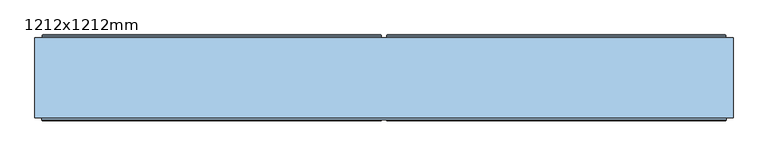
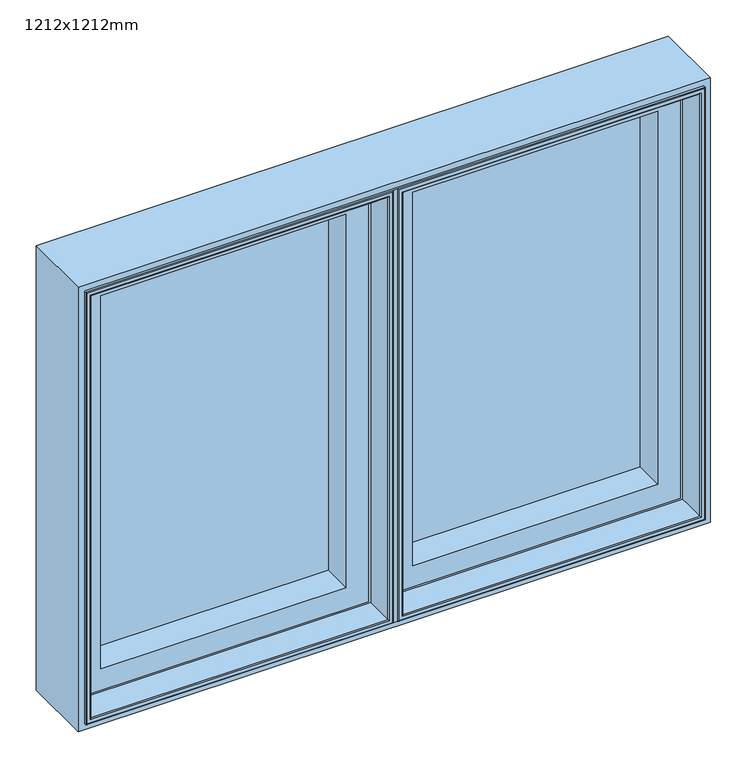
"""IFC4 building model written with IfcOpenShell, lengths in millimetres: window geometry, 1212x1212mm."""

from ifc_helpers import new_model, si_unit, frame, origin, place, context, project, spatial, polyline, ellipse_curve, outline, extrude, faceted_brep, source, transform, mapped, element, save
from ifc_brep_helpers import plane_surface, cylinder_surface, revolved_surface, advanced_brep


def window_1212x1212mm_500ff228(model_context):
    return source(origin(), model_context, "Body", "SolidModel", [
        advanced_brep(
        [(4.0, 146.5000019, 1689.0), (-4.0, 146.5000019, 1689.0), (-4.0, 142.5000017, 1689.0), (-594.0, 142.5000017, 1689.0), (-594.0, 6.5000015, 1689.0), (-4.0, 6.5000015, 1689.0), (-4.0, 6.7000016, 1689.0), (4.0, 6.7000016, 1689.0), (4.0, 6.5000014, 1689.0), (594.0, 6.5000014, 1689.0), (594.0, 142.5000016, 1689.0), (4.0, 142.5000016, 1689.0), (4.0, 6.7000016, 812.0), (-4.0, 6.7000016, 812.0), (-4.0, 6.5000015, 812.0), (-594.0, 6.5000015, 812.0), (-594.0, 142.5000017, 812.0), (-4.0, 142.5000017, 812.0), (-4.0, 146.5000019, 812.0), (4.0, 146.5000019, 812.0), (4.0, 142.5000016, 812.0), (594.0, 142.5000016, 812.0), (594.0, 6.5000014, 812.0), (4.0, 6.5000014, 812.0), (14.0, 6.5000014, 1679.0), (12.5, 5.0000014, 1680.5), (12.5, 5.0000014, 820.5), (14.0, 6.5000014, 822.0), (14.0, 142.5000016, 822.0), (14.0, 142.5000016, 1679.0), (5.5, 5.0000014, 813.5), (5.5, 5.0000014, 1687.5), (585.5, 5.0000014, 820.5), (584.0, 6.5000014, 822.0), (584.0, 142.5000016, 822.0), (592.5, 5.0000014, 813.5), (585.5, 5.0000014, 1680.5), (584.0, 6.5000014, 1679.0), (584.0, 142.5000016, 1679.0), (592.5, 5.0000014, 1687.5), (-584.0, 6.5000015, 1679.0), (-585.5, 5.0000015, 1680.5), (-585.5, 5.0000015, 820.5), (-584.0, 6.5000015, 822.0), (-584.0, 142.5000017, 822.0), (-584.0, 142.5000017, 1679.0), (-592.5, 5.0000015, 813.5), (-592.5, 5.0000015, 1687.5), (-12.5, 5.0000015, 820.5), (-14.0, 6.5000015, 822.0), (-14.0, 142.5000017, 822.0), (-5.5, 5.0000015, 813.5), (-12.5, 5.0000015, 1680.5), (-14.0, 6.5000015, 1679.0), (-14.0, 142.5000017, 1679.0), (-5.5, 5.0000015, 1687.5)],
        [
            (0, 1),
            (1, 2),
            (2, 3),
            (3, 4),
            (4, 5),
            (5, 6),
            (6, 7),
            (7, 8),
            (8, 9),
            (9, 10),
            (10, 11),
            (11, 0),
            (12, 13),
            (13, 14),
            (14, 15),
            (15, 16),
            (16, 17),
            (17, 18),
            (18, 19),
            (19, 20),
            (20, 21),
            (21, 22),
            (22, 23),
            (23, 12),
            (0, 19),
            (18, 1),
            (17, 2),
            (6, 13),
            (12, 7),
            (11, 20),
            (24, 25, ellipse_curve(frame((12.5, 6.5000014, 1680.5), z_axis=(-0.7071067811865475, 0.0, -0.7071067811865475), x_axis=(-0.7071067811865474, 0.0, 0.7071067811865476)), 2.1213203, 1.5)),
            (25, 26),
            (26, 27, ellipse_curve(frame((12.5, 6.5000014, 820.5), z_axis=(-0.7071067811865475, 0.0, 0.7071067811865475), x_axis=(0.7071067811865474, 0.0, 0.7071067811865476)), 2.1213203, 1.5)),
            (27, 24),
            (27, 28),
            (28, 29),
            (29, 24),
            (23, 8),
            (23, 30, ellipse_curve(frame((5.5, 6.5000014, 813.5), z_axis=(-0.7071067811865475, 0.0, 0.7071067811865475), x_axis=(0.7071067811865474, 0.0, 0.7071067811865476)), 2.1213203, 1.5)),
            (30, 31),
            (31, 8, ellipse_curve(frame((5.5, 6.5000014, 1687.5), z_axis=(-0.7071067811865475, 0.0, -0.7071067811865475), x_axis=(-0.7071067811865474, 0.0, 0.7071067811865476)), 2.1213203, 1.5)),
            (26, 32),
            (32, 33, ellipse_curve(frame((585.5, 6.5000014, 820.5), z_axis=(-0.7071067811865475, 0.0, -0.7071067811865475), x_axis=(-0.7071067811865476, 0.0, 0.7071067811865474)), 2.1213203, 1.5)),
            (33, 27),
            (33, 34),
            (34, 28),
            (22, 35, ellipse_curve(frame((592.5, 6.5000014, 813.5), z_axis=(-0.7071067811865475, 0.0, -0.7071067811865475), x_axis=(-0.7071067811865476, 0.0, 0.7071067811865474)), 2.1213203, 1.5)),
            (35, 30),
            (32, 36),
            (36, 37, ellipse_curve(frame((585.5, 6.5000014, 1680.5), z_axis=(0.7071067811865475, 0.0, -0.7071067811865475), x_axis=(-0.7071067811865474, 0.0, -0.7071067811865476)), 2.1213203, 1.5)),
            (37, 33),
            (37, 38),
            (38, 34),
            (21, 10),
            (9, 22),
            (9, 39, ellipse_curve(frame((592.5, 6.5000014, 1687.5), z_axis=(0.7071067811865475, 0.0, -0.7071067811865475), x_axis=(-0.7071067811865474, 0.0, -0.7071067811865476)), 2.1213203, 1.5)),
            (39, 35),
            (24, 37),
            (36, 25),
            (29, 38),
            (31, 39),
            (40, 41, ellipse_curve(frame((-585.5, 6.5000015, 1680.5), z_axis=(-0.7071067811865475, 0.0, -0.7071067811865475), x_axis=(-0.7071067811865474, 0.0, 0.7071067811865476)), 2.1213203, 1.5)),
            (41, 42),
            (42, 43, ellipse_curve(frame((-585.5, 6.5000015, 820.5), z_axis=(-0.7071067811865475, 0.0, 0.7071067811865475), x_axis=(0.7071067811865474, 0.0, 0.7071067811865476)), 2.1213203, 1.5)),
            (43, 40),
            (43, 44),
            (44, 45),
            (45, 40),
            (3, 16),
            (15, 4),
            (15, 46, ellipse_curve(frame((-592.5, 6.5000015, 813.5), z_axis=(-0.7071067811865475, 0.0, 0.7071067811865475), x_axis=(0.7071067811865474, 0.0, 0.7071067811865476)), 2.1213203, 1.5)),
            (46, 47),
            (47, 4, ellipse_curve(frame((-592.5, 6.5000015, 1687.5), z_axis=(-0.7071067811865475, 0.0, -0.7071067811865475), x_axis=(-0.7071067811865474, 0.0, 0.7071067811865476)), 2.1213203, 1.5)),
            (42, 48),
            (48, 49, ellipse_curve(frame((-12.5, 6.5000015, 820.5), z_axis=(-0.7071067811865475, 0.0, -0.7071067811865475), x_axis=(-0.7071067811865476, 0.0, 0.7071067811865474)), 2.1213203, 1.5)),
            (49, 43),
            (49, 50),
            (50, 44),
            (14, 51, ellipse_curve(frame((-5.5, 6.5000015, 813.5), z_axis=(-0.7071067811865475, 0.0, -0.7071067811865475), x_axis=(-0.7071067811865476, 0.0, 0.7071067811865474)), 2.1213203, 1.5)),
            (51, 46),
            (48, 52),
            (52, 53, ellipse_curve(frame((-12.5, 6.5000015, 1680.5), z_axis=(0.7071067811865475, 0.0, -0.7071067811865475), x_axis=(-0.7071067811865474, 0.0, -0.7071067811865476)), 2.1213203, 1.5)),
            (53, 49),
            (53, 54),
            (54, 50),
            (5, 14),
            (5, 55, ellipse_curve(frame((-5.5, 6.5000015, 1687.5), z_axis=(0.7071067811865475, 0.0, -0.7071067811865475), x_axis=(-0.7071067811865474, 0.0, -0.7071067811865476)), 2.1213203, 1.5)),
            (55, 51),
            (40, 53),
            (52, 41),
            (45, 54),
            (47, 55),
        ],
        [
            plane_surface(frame((-4.0, 146.5000019, 1689.0), z_axis=(0.0, 0.0, 1.0), x_axis=(-1.0, 0.0, 0.0))),
            plane_surface(frame((-4.0, 146.5000019, 812.0), z_axis=(0.0, 0.0, -1.0), x_axis=(1.0, 0.0, 0.0))),
            plane_surface(frame((4.0, 146.5000019, 1689.0), z_axis=(0.0, 1.0, 0.0), x_axis=(0.0, 0.0, -1.0))),
            plane_surface(frame((-4.0, 146.5000019, 1689.0), z_axis=(-1.0, 0.0, 0.0), x_axis=(0.0, 0.0, -1.0))),
            plane_surface(frame((-4.0, 6.7000016, 1689.0), z_axis=(0.0, -1.0, 0.0), x_axis=(0.0, 0.0, -1.0))),
            plane_surface(frame((4.0, 6.7000016, 1689.0), z_axis=(1.0, 0.0, 0.0), x_axis=(0.0, 0.0, -1.0))),
            cylinder_surface(frame((12.5, 6.5000014, 1689.0), z_axis=(0.0, 0.0, 1.0), x_axis=(1.0, 0.0, 0.0)), 1.5),
            plane_surface(frame((14.0, 6.5000014, 1679.0), z_axis=(1.0, 0.0, 0.0), x_axis=(0.0, 0.0, -1.0))),
            plane_surface(frame((4.0, 142.5000016, 1689.0), z_axis=(-1.0, 0.0, 0.0), x_axis=(0.0, 0.0, -1.0))),
            cylinder_surface(frame((5.5, 6.5000014, 1689.0), z_axis=(0.0, 0.0, 1.0), x_axis=(1.0, 0.0, 0.0)), 1.5),
            cylinder_surface(frame((4.0, 6.5000014, 820.5), z_axis=(-1.0, 0.0, 0.0), x_axis=(0.0, 0.0, 1.0)), 1.5),
            plane_surface(frame((14.0, 6.5000014, 822.0), z_axis=(0.0, 0.0, 1.0), x_axis=(1.0, 0.0, 0.0))),
            cylinder_surface(frame((4.0, 6.5000014, 813.5), z_axis=(-1.0, 0.0, 0.0), x_axis=(0.0, 0.0, 1.0)), 1.5),
            cylinder_surface(frame((585.5, 6.5000014, 812.0), z_axis=(0.0, 0.0, -1.0), x_axis=(-1.0, 0.0, 0.0)), 1.5),
            plane_surface(frame((584.0, 6.5000014, 822.0), z_axis=(-1.0, 0.0, 0.0), x_axis=(0.0, 0.0, 1.0))),
            plane_surface(frame((594.0, 142.5000016, 812.0), z_axis=(1.0, 0.0, 0.0), x_axis=(0.0, 0.0, 1.0))),
            cylinder_surface(frame((592.5, 6.5000014, 812.0), z_axis=(0.0, 0.0, -1.0), x_axis=(-1.0, 0.0, 0.0)), 1.5),
            cylinder_surface(frame((594.0, 6.5000014, 1680.5), z_axis=(1.0, 0.0, 0.0), x_axis=(0.0, 0.0, -1.0)), 1.5),
            plane_surface(frame((584.0, 6.5000014, 1679.0), z_axis=(0.0, 0.0, -1.0), x_axis=(-1.0, 0.0, 0.0))),
            plane_surface(frame((584.0, 142.5000016, 1679.0), z_axis=(0.0, 1.0, 0.0), x_axis=(-1.0, 0.0, 0.0))),
            cylinder_surface(frame((594.0, 6.5000014, 1687.5), z_axis=(1.0, 0.0, 0.0), x_axis=(0.0, 0.0, -1.0)), 1.5),
            plane_surface(frame((592.5, 5.0000014, 1687.5), z_axis=(0.0, -1.0, 0.0), x_axis=(-1.0, 0.0, 0.0))),
            cylinder_surface(frame((-585.5, 6.5000015, 1689.0), z_axis=(0.0, 0.0, 1.0), x_axis=(1.0, 0.0, 0.0)), 1.5),
            plane_surface(frame((-584.0, 6.5000015, 1679.0), z_axis=(1.0, 0.0, 0.0), x_axis=(0.0, 0.0, -1.0))),
            plane_surface(frame((-594.0, 142.5000017, 1689.0), z_axis=(-1.0, 0.0, 0.0), x_axis=(0.0, 0.0, -1.0))),
            cylinder_surface(frame((-592.5, 6.5000015, 1689.0), z_axis=(0.0, 0.0, 1.0), x_axis=(1.0, 0.0, 0.0)), 1.5),
            cylinder_surface(frame((-594.0, 6.5000015, 820.5), z_axis=(-1.0, 0.0, 0.0), x_axis=(0.0, 0.0, 1.0)), 1.5),
            plane_surface(frame((-584.0, 6.5000015, 822.0), z_axis=(0.0, 0.0, 1.0), x_axis=(1.0, 0.0, 0.0))),
            cylinder_surface(frame((-594.0, 6.5000015, 813.5), z_axis=(-1.0, 0.0, 0.0), x_axis=(0.0, 0.0, 1.0)), 1.5),
            cylinder_surface(frame((-12.5, 6.5000015, 812.0), z_axis=(0.0, 0.0, -1.0), x_axis=(-1.0, 0.0, 0.0)), 1.5),
            plane_surface(frame((-14.0, 6.5000015, 822.0), z_axis=(-1.0, 0.0, 0.0), x_axis=(0.0, 0.0, 1.0))),
            plane_surface(frame((-4.0, 142.5000017, 812.0), z_axis=(1.0, 0.0, 0.0), x_axis=(0.0, 0.0, 1.0))),
            cylinder_surface(frame((-5.5, 6.5000015, 812.0), z_axis=(0.0, 0.0, -1.0), x_axis=(-1.0, 0.0, 0.0)), 1.5),
            cylinder_surface(frame((-4.0, 6.5000015, 1680.5), z_axis=(1.0, 0.0, 0.0), x_axis=(0.0, 0.0, -1.0)), 1.5),
            plane_surface(frame((-14.0, 6.5000015, 1679.0), z_axis=(0.0, 0.0, -1.0), x_axis=(-1.0, 0.0, 0.0))),
            plane_surface(frame((-14.0, 142.5000017, 1679.0), z_axis=(0.0, 1.0, 0.0), x_axis=(-1.0, 0.0, 0.0))),
            cylinder_surface(frame((-4.0, 6.5000015, 1687.5), z_axis=(1.0, 0.0, 0.0), x_axis=(0.0, 0.0, -1.0)), 1.5),
            plane_surface(frame((-5.5, 5.0000015, 1687.5), z_axis=(0.0, -1.0, 0.0), x_axis=(-1.0, 0.0, 0.0))),
        ],
        [
            (0, [[1, 2, 3, 4, 5, 6, 7, 8, 9, 10, 11, 12]]),
            (1, [[13, 14, 15, 16, 17, 18, 19, 20, 21, 22, 23, 24]]),
            (2, [[-1, 25, -19, 26]]),
            (3, [[-26, -18, 27, -2]]),
            (4, [[-7, 28, -13, 29]]),
            (5, [[-25, -12, 30, -20]]),
            (6, [[31, 32, 33, 34]]),
            (7, [[-34, 35, 36, 37]]),
            (8, [[38, -8, -29, -24]]),
            (9, [[-38, 39, 40, 41]]),
            (10, [[-33, 42, 43, 44]]),
            (11, [[-35, -44, 45, 46]]),
            (12, [[-39, -23, 47, 48]]),
            (13, [[-43, 49, 50, 51]]),
            (14, [[-45, -51, 52, 53]]),
            (15, [[-22, 54, -10, 55]]),
            (16, [[-47, -55, 56, 57]]),
            (17, [[-31, 58, -50, 59]]),
            (18, [[-37, 60, -52, -58]]),
            (19, [[-21, -30, -11, -54], [-36, -46, -53, -60]]),
            (20, [[-41, 61, -56, -9]]),
            (21, [[-40, -48, -57, -61], [-32, -59, -49, -42]]),
            (22, [[62, 63, 64, 65]]),
            (23, [[-65, 66, 67, 68]]),
            (24, [[-4, 69, -16, 70]]),
            (25, [[-70, 71, 72, 73]]),
            (26, [[-64, 74, 75, 76]]),
            (27, [[-66, -76, 77, 78]]),
            (28, [[-71, -15, 79, 80]]),
            (29, [[-75, 81, 82, 83]]),
            (30, [[-77, -83, 84, 85]]),
            (31, [[86, -14, -28, -6]]),
            (32, [[-79, -86, 87, 88]]),
            (33, [[-62, 89, -82, 90]]),
            (34, [[-68, 91, -84, -89]]),
            (35, [[-69, -3, -27, -17], [-67, -78, -85, -91]]),
            (36, [[-73, 92, -87, -5]]),
            (37, [[-72, -80, -88, -92], [-63, -90, -81, -74]]),
        ],
    ),
        extrude(outline(polyline([(-46.0, 118.5000018), (-552.0, 118.5000018), (-552.0, 146.5000018), (-46.0, 146.5000018), (-46.0, 118.5000018)])), frame((0.0, 0.0, 854.0), z_axis=(0.0, 0.0, 1.0), x_axis=(1.0, 0.0, 0.0)), (0.0, 0.0, 1.0), 793.0),
        faceted_brep([(-556.0, 142.5000017, 1651.0), (-556.0, 118.5000018, 1651.0), (-556.0, 118.5000018, 850.0), (-556.0, 142.5000017, 850.0), (-584.0, 63.3258286, 1679.0), (-584.0, 142.5000017, 1679.0), (-584.0, 142.5000017, 822.0), (-584.0, 63.3258286, 822.0), (-577.2, 59.5000018, 1672.2), (-577.2, 63.3258286, 1672.2), (-577.2, 63.3258286, 828.8), (-577.2, 59.5000018, 828.8), (-534.0, 118.5000018, 1629.0), (-534.0, 59.5000018, 1629.0), (-534.0, 59.5000018, 872.0), (-534.0, 118.5000018, 872.0), (-42.0, 118.5000018, 850.0), (-42.0, 142.5000017, 850.0), (-14.0, 142.5000017, 822.0), (-14.0, 63.3258286, 822.0), (-20.8, 63.3258286, 828.8), (-20.8, 59.5000018, 828.8), (-64.0, 59.5000018, 872.0), (-64.0, 118.5000018, 872.0), (-42.0, 118.5000018, 1651.0), (-42.0, 142.5000017, 1651.0), (-14.0, 142.5000017, 1679.0), (-14.0, 63.3258286, 1679.0), (-20.8, 63.3258286, 1672.2), (-20.8, 59.5000018, 1672.2), (-64.0, 59.5000018, 1629.0), (-64.0, 118.5000018, 1629.0)], [[[0, 1, 2, 3]], [[4, 5, 6, 7]], [[8, 9, 10, 11]], [[12, 13, 14, 15]], [[3, 2, 16, 17]], [[7, 6, 18, 19]], [[11, 10, 20, 21]], [[15, 14, 22, 23]], [[17, 16, 24, 25]], [[19, 18, 26, 27]], [[21, 20, 28, 29]], [[23, 22, 30, 31]], [[25, 24, 1, 0]], [[5, 26, 18, 6], [3, 17, 25, 0]], [[27, 26, 5, 4]], [[7, 19, 27, 4], [9, 28, 20, 10]], [[29, 28, 9, 8]], [[11, 21, 29, 8], [13, 30, 22, 14]], [[31, 30, 13, 12]], [[1, 24, 16, 2], [15, 23, 31, 12]]]),
        advanced_brep(
        [(-593.0, 152.5000018, 1688.0), (-591.5000001, 154.0000016, 1686.5000001), (-591.5000001, 154.0000016, 814.4999999), (-593.0, 152.5000018, 813.0), (-593.0, 148.3866107, 1688.0), (-593.0, 148.3866107, 813.0), (-594.0, 142.5000017, 1689.0), (-594.0, 148.3866107, 1689.0), (-594.0, 148.3866107, 812.0), (-594.0, 142.5000017, 812.0), (-556.0, 146.5000019, 1651.0), (-556.0, 142.5000017, 1651.0), (-556.0, 142.5000017, 850.0), (-556.0, 146.5000019, 850.0), (-537.5192538, 147.4871074, 1632.5192538), (-537.4938789, 146.5000019, 1632.4938789), (-537.4938789, 146.5000019, 868.5061211), (-537.5192538, 147.4871074, 868.4807462), (-539.5962483, 148.7951832, 1634.5962483), (-539.5962483, 148.7951832, 866.4037517), (-540.0, 149.7544748, 1635.0), (-540.0, 149.7544748, 866.0), (-540.0, 153.0000016, 1635.0), (-540.0, 153.0000016, 866.0), (-540.5, 153.5000016, 1635.5), (-540.5, 153.5000016, 865.5), (-556.514074, 154.0000016, 1651.514074), (-555.8, 153.5000016, 1650.8), (-555.8, 153.5000016, 850.2), (-556.514074, 154.0000016, 849.485926), (-6.4999999, 154.0000016, 814.4999999), (-5.0, 152.5000018, 813.0), (-5.0, 148.3866107, 813.0), (-4.0, 148.3866107, 812.0), (-4.0, 142.5000017, 812.0), (-42.0, 142.5000017, 850.0), (-42.0, 146.5000019, 850.0), (-60.5061211, 146.5000019, 868.5061211), (-60.4807462, 147.4871074, 868.4807462), (-58.4037517, 148.7951832, 866.4037517), (-58.0, 149.7544748, 866.0), (-58.0, 153.0000016, 866.0), (-57.5, 153.5000016, 865.5), (-42.2, 153.5000016, 850.2), (-41.485926, 154.0000016, 849.485926), (-6.4999999, 154.0000016, 1686.5000001), (-5.0, 152.5000018, 1688.0), (-5.0, 148.3866107, 1688.0), (-4.0, 148.3866107, 1689.0), (-4.0, 142.5000017, 1689.0), (-42.0, 142.5000017, 1651.0), (-42.0, 146.5000019, 1651.0), (-60.5061211, 146.5000019, 1632.4938789), (-60.4807462, 147.4871074, 1632.5192538), (-58.4037517, 148.7951832, 1634.5962483), (-58.0, 149.7544748, 1635.0), (-58.0, 153.0000016, 1635.0), (-57.5, 153.5000016, 1635.5), (-42.2, 153.5000016, 1650.8), (-41.485926, 154.0000016, 1651.514074)],
        [
            (0, 1, ellipse_curve(frame((-591.5000001, 152.5000018, 1686.5000001), z_axis=(-0.7071067811865475, 0.0, -0.7071067811865475), x_axis=(-0.7071067811865474, 0.0, 0.7071067811865476)), 2.1213201, 1.4999998)),
            (1, 2),
            (2, 3, ellipse_curve(frame((-591.5000001, 152.5000018, 814.4999999), z_axis=(-0.7071067811865475, 0.0, 0.7071067811865475), x_axis=(0.7071067811865474, 0.0, 0.7071067811865476)), 2.1213201, 1.4999998)),
            (3, 0),
            (4, 0),
            (3, 5),
            (5, 4),
            (6, 7),
            (7, 8),
            (8, 9),
            (9, 6),
            (10, 11),
            (11, 12),
            (12, 13),
            (13, 10),
            (14, 15, ellipse_curve(frame((-537.4938789, 146.9938808, 1632.4938789), z_axis=(-0.7071067811865475, 0.0, -0.7071067811865475), x_axis=(-0.7071067811865474, 0.0, 0.7071067811865476)), 0.6984503, 0.4938789)),
            (15, 16),
            (16, 17, ellipse_curve(frame((-537.4938789, 146.9938808, 868.5061211), z_axis=(-0.7071067811865475, 0.0, 0.7071067811865475), x_axis=(0.7071067811865474, 0.0, 0.7071067811865476)), 0.6984503, 0.4938789)),
            (17, 14),
            (18, 14, ellipse_curve(frame((-537.6227187, 149.6258125, 1632.6227187), z_axis=(0.7071067811865475, 0.0, 0.7071067811865475), x_axis=(0.7071067811865474, 0.0, -0.7071067811865476)), 3.028123, 2.1412063)),
            (17, 19, ellipse_curve(frame((-537.6227187, 149.6258125, 868.3772813), z_axis=(0.7071067811865475, 0.0, -0.7071067811865475), x_axis=(-0.7071067811865474, 0.0, -0.7071067811865476)), 3.028123, 2.1412063)),
            (19, 18),
            (20, 18),
            (19, 21),
            (21, 20),
            (22, 20),
            (21, 23),
            (23, 22),
            (24, 22, ellipse_curve(frame((-540.5, 153.0000016, 1635.5), z_axis=(-0.7071067811865475, 0.0, -0.7071067811865475), x_axis=(-0.7071067811865474, 0.0, 0.7071067811865476)), 0.7071068, 0.5)),
            (23, 25, ellipse_curve(frame((-540.5, 153.0000016, 865.5), z_axis=(-0.7071067811865475, 0.0, 0.7071067811865475), x_axis=(0.7071067811865474, 0.0, 0.7071067811865476)), 0.7071068, 0.5)),
            (25, 24),
            (26, 27),
            (27, 28),
            (28, 29),
            (29, 26),
            (2, 30),
            (30, 31, ellipse_curve(frame((-6.4999999, 152.5000018, 814.4999999), z_axis=(-0.7071067811865475, 0.0, -0.7071067811865475), x_axis=(-0.7071067811865476, 0.0, 0.7071067811865474)), 2.1213201, 1.4999998)),
            (31, 3),
            (31, 32),
            (32, 5),
            (8, 33),
            (33, 34),
            (34, 9),
            (12, 35),
            (35, 36),
            (36, 13),
            (16, 37),
            (37, 38, ellipse_curve(frame((-60.5061211, 146.9938808, 868.5061211), z_axis=(-0.7071067811865475, 0.0, -0.7071067811865475), x_axis=(-0.7071067811865476, 0.0, 0.7071067811865474)), 0.6984503, 0.4938789)),
            (38, 17),
            (38, 39, ellipse_curve(frame((-60.3772813, 149.6258125, 868.3772813), z_axis=(0.7071067811865475, 0.0, 0.7071067811865475), x_axis=(0.7071067811865476, 0.0, -0.7071067811865474)), 3.028123, 2.1412063)),
            (39, 19),
            (39, 40),
            (40, 21),
            (40, 41),
            (41, 23),
            (41, 42, ellipse_curve(frame((-57.5, 153.0000016, 865.5), z_axis=(-0.7071067811865475, 0.0, -0.7071067811865475), x_axis=(-0.7071067811865476, 0.0, 0.7071067811865474)), 0.7071068, 0.5)),
            (42, 25),
            (28, 43),
            (43, 44),
            (44, 29),
            (30, 45),
            (45, 46, ellipse_curve(frame((-6.4999999, 152.5000018, 1686.5000001), z_axis=(0.7071067811865475, 0.0, -0.7071067811865475), x_axis=(-0.7071067811865474, 0.0, -0.7071067811865476)), 2.1213201, 1.4999998)),
            (46, 31),
            (46, 47),
            (47, 32),
            (33, 48),
            (48, 49),
            (49, 34),
            (35, 50),
            (50, 51),
            (51, 36),
            (37, 52),
            (52, 53, ellipse_curve(frame((-60.5061211, 146.9938808, 1632.4938789), z_axis=(0.7071067811865475, 0.0, -0.7071067811865475), x_axis=(-0.7071067811865474, 0.0, -0.7071067811865476)), 0.6984503, 0.4938789)),
            (53, 38),
            (53, 54, ellipse_curve(frame((-60.3772813, 149.6258125, 1632.6227187), z_axis=(-0.7071067811865475, 0.0, 0.7071067811865475), x_axis=(0.7071067811865474, 0.0, 0.7071067811865476)), 3.028123, 2.1412063)),
            (54, 39),
            (54, 55),
            (55, 40),
            (55, 56),
            (56, 41),
            (56, 57, ellipse_curve(frame((-57.5, 153.0000016, 1635.5), z_axis=(0.7071067811865475, 0.0, -0.7071067811865475), x_axis=(-0.7071067811865474, 0.0, -0.7071067811865476)), 0.7071068, 0.5)),
            (57, 42),
            (43, 58),
            (58, 59),
            (59, 44),
            (1, 45),
            (59, 26),
            (0, 46),
            (4, 47),
            (7, 48),
            (6, 49),
            (11, 50),
            (10, 51),
            (15, 52),
            (14, 53),
            (18, 54),
            (20, 55),
            (22, 56),
            (24, 57),
            (27, 58),
        ],
        [
            cylinder_surface(frame((-591.5000001, 152.5000018, 1689.0), z_axis=(0.0, 0.0, 1.0), x_axis=(1.0, 0.0, 0.0)), 1.4999998),
            plane_surface(frame((-593.0, 152.5000018, 1688.0), z_axis=(-1.0, 0.0, 0.0), x_axis=(0.0, 0.0, -1.0))),
            plane_surface(frame((-594.0, 148.3866107, 1689.0), z_axis=(-1.0, 0.0, 0.0), x_axis=(0.0, 0.0, -1.0))),
            plane_surface(frame((-556.0, 142.5000017, 1651.0), z_axis=(1.0, 0.0, 0.0), x_axis=(0.0, 0.0, -1.0))),
            cylinder_surface(frame((-537.4938789, 146.9938808, 1689.0), z_axis=(0.0, 0.0, 1.0), x_axis=(1.0, 0.0, 0.0)), 0.4938789),
            revolved_surface(polyline([(-535.4815123999999, 149.6258125, 866.2360749924331), (-535.4815123999999, 149.6258125, 1634.763925007567)]), (-537.6227187, 149.6258125, 1689.0), (0.0, 0.0, -1.0)),
            plane_surface(frame((-539.5962483, 148.7951832, 1634.5962483), z_axis=(0.921690570360198, 0.3879258853300372, 0.0), x_axis=(0.0, 0.0, -1.0))),
            plane_surface(frame((-540.0, 149.7544748, 1635.0), z_axis=(1.0, 0.0, 0.0), x_axis=(0.0, 0.0, -1.0))),
            cylinder_surface(frame((-540.5, 153.0000016, 1689.0), z_axis=(0.0, 0.0, 1.0), x_axis=(1.0, 0.0, 0.0)), 0.5),
            plane_surface(frame((-555.8, 153.5000016, 1650.8), z_axis=(0.5735764363509998, 0.8191520442890243, 0.0), x_axis=(0.0, 0.0, -1.0))),
            cylinder_surface(frame((-594.0, 152.5000018, 814.4999999), z_axis=(-1.0, 0.0, 0.0), x_axis=(0.0, 0.0, 1.0)), 1.4999998),
            plane_surface(frame((-593.0, 152.5000018, 813.0), z_axis=(0.0, 0.0, -1.0), x_axis=(1.0, 0.0, 0.0))),
            plane_surface(frame((-594.0, 148.3866107, 812.0), z_axis=(0.0, 0.0, -1.0), x_axis=(1.0, 0.0, 0.0))),
            plane_surface(frame((-556.0, 142.5000017, 850.0), z_axis=(0.0, 0.0, 1.0), x_axis=(1.0, 0.0, 0.0))),
            cylinder_surface(frame((-594.0, 146.9938808, 868.5061211), z_axis=(-1.0, 0.0, 0.0), x_axis=(0.0, 0.0, 1.0)), 0.4938789),
            revolved_surface(polyline([(-58.236074992433146, 149.6258125, 870.5184876000001), (-539.7639250075669, 149.6258125, 870.5184876000001)]), (-594.0, 149.6258125, 868.3772813), (1.0, 0.0, 0.0)),
            plane_surface(frame((-539.5962483, 148.7951832, 866.4037517), z_axis=(0.0, 0.3879258853300402, 0.9216905703601967), x_axis=(1.0, 0.0, 0.0))),
            plane_surface(frame((-540.0, 149.7544748, 866.0), z_axis=(0.0, 0.0, 1.0), x_axis=(1.0, 0.0, 0.0))),
            cylinder_surface(frame((-594.0, 153.0000016, 865.5), z_axis=(-1.0, 0.0, 0.0), x_axis=(0.0, 0.0, 1.0)), 0.5),
            plane_surface(frame((-555.8, 153.5000016, 850.2), z_axis=(0.0, 0.8191520442890262, 0.5735764363509971), x_axis=(1.0, 0.0, 0.0))),
            cylinder_surface(frame((-6.4999999, 152.5000018, 812.0), z_axis=(0.0, 0.0, -1.0), x_axis=(-1.0, 0.0, 0.0)), 1.4999998),
            plane_surface(frame((-5.0, 152.5000018, 813.0), z_axis=(1.0, 0.0, 0.0), x_axis=(0.0, 0.0, 1.0))),
            plane_surface(frame((-4.0, 148.3866107, 812.0), z_axis=(1.0, 0.0, 0.0), x_axis=(0.0, 0.0, 1.0))),
            plane_surface(frame((-42.0, 142.5000017, 850.0), z_axis=(-1.0, 0.0, 0.0), x_axis=(0.0, 0.0, 1.0))),
            cylinder_surface(frame((-60.5061211, 146.9938808, 812.0), z_axis=(0.0, 0.0, -1.0), x_axis=(-1.0, 0.0, 0.0)), 0.4938789),
            revolved_surface(polyline([(-62.5184876, 149.6258125, 1634.7639250075667), (-62.5184876, 149.6258125, 866.2360749924331)]), (-60.3772813, 149.6258125, 812.0), (0.0, 0.0, 1.0)),
            plane_surface(frame((-58.4037517, 148.7951832, 866.4037517), z_axis=(-0.9216905703601955, 0.3879258853300432, 0.0), x_axis=(0.0, 0.0, 1.0))),
            plane_surface(frame((-58.0, 149.7544748, 866.0), z_axis=(-1.0, 0.0, 0.0), x_axis=(0.0, 0.0, 1.0))),
            cylinder_surface(frame((-57.5, 153.0000016, 812.0), z_axis=(0.0, 0.0, -1.0), x_axis=(-1.0, 0.0, 0.0)), 0.5),
            plane_surface(frame((-42.2, 153.5000016, 850.2), z_axis=(-0.5735764363509944, 0.8191520442890281, 0.0), x_axis=(0.0, 0.0, 1.0))),
            plane_surface(frame((-41.485926, 154.0000016, 1651.514074), z_axis=(0.0, 1.0, 0.0), x_axis=(-1.0, 0.0, 0.0))),
            cylinder_surface(frame((-4.0, 152.5000018, 1686.5000001), z_axis=(1.0, 0.0, 0.0), x_axis=(0.0, 0.0, -1.0)), 1.4999998),
            plane_surface(frame((-5.0, 152.5000018, 1688.0), z_axis=(0.0, 0.0, 1.0), x_axis=(-1.0, 0.0, 0.0))),
            plane_surface(frame((-5.0, 148.3866107, 1688.0), z_axis=(0.0, 1.0, 0.0), x_axis=(-1.0, 0.0, 0.0))),
            plane_surface(frame((-4.0, 148.3866107, 1689.0), z_axis=(0.0, 0.0, 1.0), x_axis=(-1.0, 0.0, 0.0))),
            plane_surface(frame((-4.0, 142.5000017, 1689.0), z_axis=(0.0, -1.0, 0.0), x_axis=(-1.0, 0.0, 0.0))),
            plane_surface(frame((-42.0, 142.5000017, 1651.0), z_axis=(0.0, 0.0, -1.0), x_axis=(-1.0, 0.0, 0.0))),
            plane_surface(frame((-42.0, 146.5000019, 1651.0), z_axis=(0.0, -1.0, 0.0), x_axis=(-1.0, 0.0, 0.0))),
            cylinder_surface(frame((-4.0, 146.9938808, 1632.4938789), z_axis=(1.0, 0.0, 0.0), x_axis=(0.0, 0.0, -1.0)), 0.4938789),
            revolved_surface(polyline([(-539.7639250075669, 149.6258125, 1630.4815124), (-58.236074992433046, 149.6258125, 1630.4815124)]), (-4.0, 149.6258125, 1632.6227187), (-1.0, 0.0, 0.0)),
            plane_surface(frame((-58.4037517, 148.7951832, 1634.5962483), z_axis=(0.0, 0.3879258853300402, -0.9216905703601967), x_axis=(-1.0, 0.0, 0.0))),
            plane_surface(frame((-58.0, 149.7544748, 1635.0), z_axis=(0.0, 0.0, -1.0), x_axis=(-1.0, 0.0, 0.0))),
            cylinder_surface(frame((-4.0, 153.0000016, 1635.5), z_axis=(1.0, 0.0, 0.0), x_axis=(0.0, 0.0, -1.0)), 0.5),
            plane_surface(frame((-57.5, 153.5000016, 1635.5), z_axis=(0.0, 1.0, 0.0), x_axis=(-1.0, 0.0, 0.0))),
            plane_surface(frame((-42.2, 153.5000016, 1650.8), z_axis=(0.0, 0.8191520442890262, -0.5735764363509971), x_axis=(-1.0, 0.0, 0.0))),
        ],
        [
            (0, [[1, 2, 3, 4]]),
            (1, [[5, -4, 6, 7]]),
            (2, [[8, 9, 10, 11]]),
            (3, [[12, 13, 14, 15]]),
            (4, [[16, 17, 18, 19]]),
            (5, [[20, -19, 21, 22]]),
            (6, [[23, -22, 24, 25]]),
            (7, [[26, -25, 27, 28]]),
            (8, [[29, -28, 30, 31]]),
            (9, [[32, 33, 34, 35]]),
            (10, [[-3, 36, 37, 38]]),
            (11, [[-6, -38, 39, 40]]),
            (12, [[-10, 41, 42, 43]]),
            (13, [[-14, 44, 45, 46]]),
            (14, [[-18, 47, 48, 49]]),
            (15, [[-21, -49, 50, 51]]),
            (16, [[-24, -51, 52, 53]]),
            (17, [[-27, -53, 54, 55]]),
            (18, [[-30, -55, 56, 57]]),
            (19, [[-34, 58, 59, 60]]),
            (20, [[-37, 61, 62, 63]]),
            (21, [[-39, -63, 64, 65]]),
            (22, [[-42, 66, 67, 68]]),
            (23, [[-45, 69, 70, 71]]),
            (24, [[-48, 72, 73, 74]]),
            (25, [[-50, -74, 75, 76]]),
            (26, [[-52, -76, 77, 78]]),
            (27, [[-54, -78, 79, 80]]),
            (28, [[-56, -80, 81, 82]]),
            (29, [[-59, 83, 84, 85]]),
            (30, [[86, -61, -36, -2], [-60, -85, 87, -35]]),
            (31, [[-62, -86, -1, 88]]),
            (32, [[-64, -88, -5, 89]]),
            (33, [[90, -66, -41, -9], [-40, -65, -89, -7]]),
            (34, [[-67, -90, -8, 91]]),
            (35, [[-43, -68, -91, -11], [92, -69, -44, -13]]),
            (36, [[-70, -92, -12, 93]]),
            (37, [[-46, -71, -93, -15], [94, -72, -47, -17]]),
            (38, [[-73, -94, -16, 95]]),
            (39, [[-75, -95, -20, 96]]),
            (40, [[-77, -96, -23, 97]]),
            (41, [[-79, -97, -26, 98]]),
            (42, [[-81, -98, -29, 99]]),
            (43, [[100, -83, -58, -33], [-57, -82, -99, -31]]),
            (44, [[-84, -100, -32, -87]]),
        ],
    ),
        extrude(outline(polyline([(800.0, -606.0), (800.0, 606.0), (1701.0, 606.0), (1701.0, -606.0), (800.0, -606.0)]), holes=[polyline([(1689.0, -594.0), (1689.0, 594.0), (812.0, 594.0), (812.0, -594.0), (1689.0, -594.0)])]), frame((0.0, 10.0000016, 0.0), z_axis=(0.0, 1.0, 0.0), x_axis=(0.0, 0.0, 1.0)), (0.0, 0.0, 1.0), 139.0),
        extrude(outline(polyline([(552.0, 118.5000018), (46.0, 118.5000018), (46.0, 146.5000018), (552.0, 146.5000018), (552.0, 118.5000018)])), frame((0.0, 0.0, 854.0), z_axis=(0.0, 0.0, 1.0), x_axis=(1.0, 0.0, 0.0)), (0.0, 0.0, 1.0), 793.0),
        faceted_brep([(42.0, 142.5000017, 1651.0), (42.0, 118.5000018, 1651.0), (42.0, 118.5000018, 850.0), (42.0, 142.5000017, 850.0), (14.0, 63.3258286, 1679.0), (14.0, 142.5000017, 1679.0), (14.0, 142.5000017, 822.0), (14.0, 63.3258286, 822.0), (20.8, 59.5000018, 1672.2), (20.8, 63.3258286, 1672.2), (20.8, 63.3258286, 828.8), (20.8, 59.5000018, 828.8), (64.0, 118.5000018, 1629.0), (64.0, 59.5000018, 1629.0), (64.0, 59.5000018, 872.0), (64.0, 118.5000018, 872.0), (556.0, 118.5000018, 850.0), (556.0, 142.5000017, 850.0), (584.0, 142.5000017, 822.0), (584.0, 63.3258286, 822.0), (577.2, 63.3258286, 828.8), (577.2, 59.5000018, 828.8), (534.0, 59.5000018, 872.0), (534.0, 118.5000018, 872.0), (556.0, 118.5000018, 1651.0), (556.0, 142.5000017, 1651.0), (584.0, 142.5000017, 1679.0), (584.0, 63.3258286, 1679.0), (577.2, 63.3258286, 1672.2), (577.2, 59.5000018, 1672.2), (534.0, 59.5000018, 1629.0), (534.0, 118.5000018, 1629.0)], [[[0, 1, 2, 3]], [[4, 5, 6, 7]], [[8, 9, 10, 11]], [[12, 13, 14, 15]], [[3, 2, 16, 17]], [[7, 6, 18, 19]], [[11, 10, 20, 21]], [[15, 14, 22, 23]], [[17, 16, 24, 25]], [[19, 18, 26, 27]], [[21, 20, 28, 29]], [[23, 22, 30, 31]], [[25, 24, 1, 0]], [[5, 26, 18, 6], [3, 17, 25, 0]], [[27, 26, 5, 4]], [[7, 19, 27, 4], [9, 28, 20, 10]], [[29, 28, 9, 8]], [[11, 21, 29, 8], [13, 30, 22, 14]], [[31, 30, 13, 12]], [[1, 24, 16, 2], [15, 23, 31, 12]]]),
        advanced_brep(
        [(5.0, 152.5000018, 1688.0), (6.4999999, 154.0000016, 1686.5000001), (6.4999999, 154.0000016, 814.4999999), (5.0, 152.5000018, 813.0), (5.0, 148.3866107, 1688.0), (5.0, 148.3866107, 813.0), (4.0, 142.5000017, 1689.0), (4.0, 148.3866107, 1689.0), (4.0, 148.3866107, 812.0), (4.0, 142.5000017, 812.0), (42.0, 146.5000019, 1651.0), (42.0, 142.5000017, 1651.0), (42.0, 142.5000017, 850.0), (42.0, 146.5000019, 850.0), (60.4807462, 147.4871074, 1632.5192538), (60.5061211, 146.5000019, 1632.4938789), (60.5061211, 146.5000019, 868.5061211), (60.4807462, 147.4871074, 868.4807462), (58.4037517, 148.7951832, 1634.5962483), (58.4037517, 148.7951832, 866.4037517), (58.0, 149.7544748, 1635.0), (58.0, 149.7544748, 866.0), (58.0, 153.0000016, 1635.0), (58.0, 153.0000016, 866.0), (57.5, 153.5000016, 1635.5), (57.5, 153.5000016, 865.5), (41.485926, 154.0000016, 1651.514074), (42.2, 153.5000016, 1650.8), (42.2, 153.5000016, 850.2), (41.485926, 154.0000016, 849.485926), (591.5000001, 154.0000016, 814.4999999), (593.0, 152.5000018, 813.0), (593.0, 148.3866107, 813.0), (594.0, 148.3866107, 812.0), (594.0, 142.5000017, 812.0), (556.0, 142.5000017, 850.0), (556.0, 146.5000019, 850.0), (537.4938789, 146.5000019, 868.5061211), (537.5192538, 147.4871074, 868.4807462), (539.5962483, 148.7951832, 866.4037517), (540.0, 149.7544748, 866.0), (540.0, 153.0000016, 866.0), (540.5, 153.5000016, 865.5), (555.8, 153.5000016, 850.2), (556.514074, 154.0000016, 849.485926), (591.5000001, 154.0000016, 1686.5000001), (593.0, 152.5000018, 1688.0), (593.0, 148.3866107, 1688.0), (594.0, 148.3866107, 1689.0), (594.0, 142.5000017, 1689.0), (556.0, 142.5000017, 1651.0), (556.0, 146.5000019, 1651.0), (537.4938789, 146.5000019, 1632.4938789), (537.5192538, 147.4871074, 1632.5192538), (539.5962483, 148.7951832, 1634.5962483), (540.0, 149.7544748, 1635.0), (540.0, 153.0000016, 1635.0), (540.5, 153.5000016, 1635.5), (555.8, 153.5000016, 1650.8), (556.514074, 154.0000016, 1651.514074)],
        [
            (0, 1, ellipse_curve(frame((6.4999999, 152.5000018, 1686.5000001), z_axis=(-0.7071067811865475, 0.0, -0.7071067811865475), x_axis=(-0.7071067811865474, 0.0, 0.7071067811865476)), 2.1213201, 1.4999998)),
            (1, 2),
            (2, 3, ellipse_curve(frame((6.4999999, 152.5000018, 814.4999999), z_axis=(-0.7071067811865475, 0.0, 0.7071067811865475), x_axis=(0.7071067811865474, 0.0, 0.7071067811865476)), 2.1213201, 1.4999998)),
            (3, 0),
            (4, 0),
            (3, 5),
            (5, 4),
            (6, 7),
            (7, 8),
            (8, 9),
            (9, 6),
            (10, 11),
            (11, 12),
            (12, 13),
            (13, 10),
            (14, 15, ellipse_curve(frame((60.5061211, 146.9938808, 1632.4938789), z_axis=(-0.7071067811865475, 0.0, -0.7071067811865475), x_axis=(-0.7071067811865474, 0.0, 0.7071067811865476)), 0.6984503, 0.4938789)),
            (15, 16),
            (16, 17, ellipse_curve(frame((60.5061211, 146.9938808, 868.5061211), z_axis=(-0.7071067811865475, 0.0, 0.7071067811865475), x_axis=(0.7071067811865474, 0.0, 0.7071067811865476)), 0.6984503, 0.4938789)),
            (17, 14),
            (18, 14, ellipse_curve(frame((60.3772813, 149.6258125, 1632.6227187), z_axis=(0.7071067811865475, 0.0, 0.7071067811865475), x_axis=(0.7071067811865474, 0.0, -0.7071067811865476)), 3.028123, 2.1412063)),
            (17, 19, ellipse_curve(frame((60.3772813, 149.6258125, 868.3772813), z_axis=(0.7071067811865475, 0.0, -0.7071067811865475), x_axis=(-0.7071067811865474, 0.0, -0.7071067811865476)), 3.028123, 2.1412063)),
            (19, 18),
            (20, 18),
            (19, 21),
            (21, 20),
            (22, 20),
            (21, 23),
            (23, 22),
            (24, 22, ellipse_curve(frame((57.5, 153.0000016, 1635.5), z_axis=(-0.7071067811865475, 0.0, -0.7071067811865475), x_axis=(-0.7071067811865474, 0.0, 0.7071067811865476)), 0.7071068, 0.5)),
            (23, 25, ellipse_curve(frame((57.5, 153.0000016, 865.5), z_axis=(-0.7071067811865475, 0.0, 0.7071067811865475), x_axis=(0.7071067811865474, 0.0, 0.7071067811865476)), 0.7071068, 0.5)),
            (25, 24),
            (26, 27),
            (27, 28),
            (28, 29),
            (29, 26),
            (2, 30),
            (30, 31, ellipse_curve(frame((591.5000001, 152.5000018, 814.4999999), z_axis=(-0.7071067811865475, 0.0, -0.7071067811865475), x_axis=(-0.7071067811865476, 0.0, 0.7071067811865474)), 2.1213201, 1.4999998)),
            (31, 3),
            (31, 32),
            (32, 5),
            (8, 33),
            (33, 34),
            (34, 9),
            (12, 35),
            (35, 36),
            (36, 13),
            (16, 37),
            (37, 38, ellipse_curve(frame((537.4938789, 146.9938808, 868.5061211), z_axis=(-0.7071067811865475, 0.0, -0.7071067811865475), x_axis=(-0.7071067811865476, 0.0, 0.7071067811865474)), 0.6984503, 0.4938789)),
            (38, 17),
            (38, 39, ellipse_curve(frame((537.6227187, 149.6258125, 868.3772813), z_axis=(0.7071067811865475, 0.0, 0.7071067811865475), x_axis=(0.7071067811865476, 0.0, -0.7071067811865474)), 3.028123, 2.1412063)),
            (39, 19),
            (39, 40),
            (40, 21),
            (40, 41),
            (41, 23),
            (41, 42, ellipse_curve(frame((540.5, 153.0000016, 865.5), z_axis=(-0.7071067811865475, 0.0, -0.7071067811865475), x_axis=(-0.7071067811865476, 0.0, 0.7071067811865474)), 0.7071068, 0.5)),
            (42, 25),
            (28, 43),
            (43, 44),
            (44, 29),
            (30, 45),
            (45, 46, ellipse_curve(frame((591.5000001, 152.5000018, 1686.5000001), z_axis=(0.7071067811865475, 0.0, -0.7071067811865475), x_axis=(-0.7071067811865474, 0.0, -0.7071067811865476)), 2.1213201, 1.4999998)),
            (46, 31),
            (46, 47),
            (47, 32),
            (33, 48),
            (48, 49),
            (49, 34),
            (35, 50),
            (50, 51),
            (51, 36),
            (37, 52),
            (52, 53, ellipse_curve(frame((537.4938789, 146.9938808, 1632.4938789), z_axis=(0.7071067811865475, 0.0, -0.7071067811865475), x_axis=(-0.7071067811865474, 0.0, -0.7071067811865476)), 0.6984503, 0.4938789)),
            (53, 38),
            (53, 54, ellipse_curve(frame((537.6227187, 149.6258125, 1632.6227187), z_axis=(-0.7071067811865475, 0.0, 0.7071067811865475), x_axis=(0.7071067811865474, 0.0, 0.7071067811865476)), 3.028123, 2.1412063)),
            (54, 39),
            (54, 55),
            (55, 40),
            (55, 56),
            (56, 41),
            (56, 57, ellipse_curve(frame((540.5, 153.0000016, 1635.5), z_axis=(0.7071067811865475, 0.0, -0.7071067811865475), x_axis=(-0.7071067811865474, 0.0, -0.7071067811865476)), 0.7071068, 0.5)),
            (57, 42),
            (43, 58),
            (58, 59),
            (59, 44),
            (1, 45),
            (59, 26),
            (0, 46),
            (4, 47),
            (7, 48),
            (6, 49),
            (11, 50),
            (10, 51),
            (15, 52),
            (14, 53),
            (18, 54),
            (20, 55),
            (22, 56),
            (24, 57),
            (27, 58),
        ],
        [
            cylinder_surface(frame((6.4999999, 152.5000018, 1689.0), z_axis=(0.0, 0.0, 1.0), x_axis=(1.0, 0.0, 0.0)), 1.4999998),
            plane_surface(frame((5.0, 152.5000018, 1688.0), z_axis=(-1.0, 0.0, 0.0), x_axis=(0.0, 0.0, -1.0))),
            plane_surface(frame((4.0, 148.3866107, 1689.0), z_axis=(-1.0, 0.0, 0.0), x_axis=(0.0, 0.0, -1.0))),
            plane_surface(frame((42.0, 142.5000017, 1651.0), z_axis=(1.0, 0.0, 0.0), x_axis=(0.0, 0.0, -1.0))),
            cylinder_surface(frame((60.5061211, 146.9938808, 1689.0), z_axis=(0.0, 0.0, 1.0), x_axis=(1.0, 0.0, 0.0)), 0.4938789),
            revolved_surface(polyline([(62.5184876, 149.6258125, 866.2360749924331), (62.5184876, 149.6258125, 1634.763925007567)]), (60.3772813, 149.6258125, 1689.0), (0.0, 0.0, -1.0)),
            plane_surface(frame((58.4037517, 148.7951832, 1634.5962483), z_axis=(0.9216905703602116, 0.3879258853300045, 0.0), x_axis=(0.0, 0.0, -1.0))),
            plane_surface(frame((58.0, 149.7544748, 1635.0), z_axis=(1.0, 0.0, 0.0), x_axis=(0.0, 0.0, -1.0))),
            cylinder_surface(frame((57.5, 153.0000016, 1689.0), z_axis=(0.0, 0.0, 1.0), x_axis=(1.0, 0.0, 0.0)), 0.5),
            plane_surface(frame((42.2, 153.5000016, 1650.8), z_axis=(0.5735764363509235, 0.8191520442890776, 0.0), x_axis=(0.0, 0.0, -1.0))),
            cylinder_surface(frame((4.0, 152.5000018, 814.4999999), z_axis=(-1.0, 0.0, 0.0), x_axis=(0.0, 0.0, 1.0)), 1.4999998),
            plane_surface(frame((5.0, 152.5000018, 813.0), z_axis=(0.0, 0.0, -1.0), x_axis=(1.0, 0.0, 0.0))),
            plane_surface(frame((4.0, 148.3866107, 812.0), z_axis=(0.0, 0.0, -1.0), x_axis=(1.0, 0.0, 0.0))),
            plane_surface(frame((42.0, 142.5000017, 850.0), z_axis=(0.0, 0.0, 1.0), x_axis=(1.0, 0.0, 0.0))),
            cylinder_surface(frame((4.0, 146.9938808, 868.5061211), z_axis=(-1.0, 0.0, 0.0), x_axis=(0.0, 0.0, 1.0)), 0.4938789),
            revolved_surface(polyline([(539.7639250075669, 149.6258125, 870.5184876000001), (58.236074992433046, 149.6258125, 870.5184876000001)]), (4.0, 149.6258125, 868.3772813), (1.0, 0.0, 0.0)),
            plane_surface(frame((58.4037517, 148.7951832, 866.4037517), z_axis=(0.0, 0.3879258853300075, 0.9216905703602104), x_axis=(1.0, 0.0, 0.0))),
            plane_surface(frame((58.0, 149.7544748, 866.0), z_axis=(0.0, 0.0, 1.0), x_axis=(1.0, 0.0, 0.0))),
            cylinder_surface(frame((4.0, 153.0000016, 865.5), z_axis=(-1.0, 0.0, 0.0), x_axis=(0.0, 0.0, 1.0)), 0.5),
            plane_surface(frame((42.2, 153.5000016, 850.2), z_axis=(0.0, 0.8191520442890795, 0.5735764363509208), x_axis=(1.0, 0.0, 0.0))),
            cylinder_surface(frame((591.5000001, 152.5000018, 812.0), z_axis=(0.0, 0.0, -1.0), x_axis=(-1.0, 0.0, 0.0)), 1.4999998),
            plane_surface(frame((593.0, 152.5000018, 813.0), z_axis=(1.0, 0.0, 0.0), x_axis=(0.0, 0.0, 1.0))),
            plane_surface(frame((594.0, 148.3866107, 812.0), z_axis=(1.0, 0.0, 0.0), x_axis=(0.0, 0.0, 1.0))),
            plane_surface(frame((556.0, 142.5000017, 850.0), z_axis=(-1.0, 0.0, 0.0), x_axis=(0.0, 0.0, 1.0))),
            cylinder_surface(frame((537.4938789, 146.9938808, 812.0), z_axis=(0.0, 0.0, -1.0), x_axis=(-1.0, 0.0, 0.0)), 0.4938789),
            revolved_surface(polyline([(535.4815123999999, 149.6258125, 1634.7639250075667), (535.4815123999999, 149.6258125, 866.2360749924331)]), (537.6227187, 149.6258125, 812.0), (0.0, 0.0, 1.0)),
            plane_surface(frame((539.5962483, 148.7951832, 866.4037517), z_axis=(-0.9216905703602092, 0.3879258853300105, 0.0), x_axis=(0.0, 0.0, 1.0))),
            plane_surface(frame((540.0, 149.7544748, 866.0), z_axis=(-1.0, 0.0, 0.0), x_axis=(0.0, 0.0, 1.0))),
            cylinder_surface(frame((540.5, 153.0000016, 812.0), z_axis=(0.0, 0.0, -1.0), x_axis=(-1.0, 0.0, 0.0)), 0.5),
            plane_surface(frame((555.8, 153.5000016, 850.2), z_axis=(-0.5735764363509182, 0.8191520442890814, 0.0), x_axis=(0.0, 0.0, 1.0))),
            plane_surface(frame((556.514074, 154.0000016, 1651.514074), z_axis=(0.0, 1.0, 0.0), x_axis=(-1.0, 0.0, 0.0))),
            cylinder_surface(frame((594.0, 152.5000018, 1686.5000001), z_axis=(1.0, 0.0, 0.0), x_axis=(0.0, 0.0, -1.0)), 1.4999998),
            plane_surface(frame((593.0, 152.5000018, 1688.0), z_axis=(0.0, 0.0, 1.0), x_axis=(-1.0, 0.0, 0.0))),
            plane_surface(frame((593.0, 148.3866107, 1688.0), z_axis=(0.0, 1.0, 0.0), x_axis=(-1.0, 0.0, 0.0))),
            plane_surface(frame((594.0, 148.3866107, 1689.0), z_axis=(0.0, 0.0, 1.0), x_axis=(-1.0, 0.0, 0.0))),
            plane_surface(frame((594.0, 142.5000017, 1689.0), z_axis=(0.0, -1.0, 0.0), x_axis=(-1.0, 0.0, 0.0))),
            plane_surface(frame((556.0, 142.5000017, 1651.0), z_axis=(0.0, 0.0, -1.0), x_axis=(-1.0, 0.0, 0.0))),
            plane_surface(frame((556.0, 146.5000019, 1651.0), z_axis=(0.0, -1.0, 0.0), x_axis=(-1.0, 0.0, 0.0))),
            cylinder_surface(frame((594.0, 146.9938808, 1632.4938789), z_axis=(1.0, 0.0, 0.0), x_axis=(0.0, 0.0, -1.0)), 0.4938789),
            revolved_surface(polyline([(58.236074992433146, 149.6258125, 1630.4815124), (539.7639250075669, 149.6258125, 1630.4815124)]), (594.0, 149.6258125, 1632.6227187), (-1.0, 0.0, 0.0)),
            plane_surface(frame((539.5962483, 148.7951832, 1634.5962483), z_axis=(0.0, 0.3879258853300075, -0.9216905703602104), x_axis=(-1.0, 0.0, 0.0))),
            plane_surface(frame((540.0, 149.7544748, 1635.0), z_axis=(0.0, 0.0, -1.0), x_axis=(-1.0, 0.0, 0.0))),
            cylinder_surface(frame((594.0, 153.0000016, 1635.5), z_axis=(1.0, 0.0, 0.0), x_axis=(0.0, 0.0, -1.0)), 0.5),
            plane_surface(frame((540.5, 153.5000016, 1635.5), z_axis=(0.0, 1.0, 0.0), x_axis=(-1.0, 0.0, 0.0))),
            plane_surface(frame((555.8, 153.5000016, 1650.8), z_axis=(0.0, 0.8191520442890795, -0.5735764363509208), x_axis=(-1.0, 0.0, 0.0))),
        ],
        [
            (0, [[1, 2, 3, 4]]),
            (1, [[5, -4, 6, 7]]),
            (2, [[8, 9, 10, 11]]),
            (3, [[12, 13, 14, 15]]),
            (4, [[16, 17, 18, 19]]),
            (5, [[20, -19, 21, 22]]),
            (6, [[23, -22, 24, 25]]),
            (7, [[26, -25, 27, 28]]),
            (8, [[29, -28, 30, 31]]),
            (9, [[32, 33, 34, 35]]),
            (10, [[-3, 36, 37, 38]]),
            (11, [[-6, -38, 39, 40]]),
            (12, [[-10, 41, 42, 43]]),
            (13, [[-14, 44, 45, 46]]),
            (14, [[-18, 47, 48, 49]]),
            (15, [[-21, -49, 50, 51]]),
            (16, [[-24, -51, 52, 53]]),
            (17, [[-27, -53, 54, 55]]),
            (18, [[-30, -55, 56, 57]]),
            (19, [[-34, 58, 59, 60]]),
            (20, [[-37, 61, 62, 63]]),
            (21, [[-39, -63, 64, 65]]),
            (22, [[-42, 66, 67, 68]]),
            (23, [[-45, 69, 70, 71]]),
            (24, [[-48, 72, 73, 74]]),
            (25, [[-50, -74, 75, 76]]),
            (26, [[-52, -76, 77, 78]]),
            (27, [[-54, -78, 79, 80]]),
            (28, [[-56, -80, 81, 82]]),
            (29, [[-59, 83, 84, 85]]),
            (30, [[86, -61, -36, -2], [-60, -85, 87, -35]]),
            (31, [[-62, -86, -1, 88]]),
            (32, [[-64, -88, -5, 89]]),
            (33, [[90, -66, -41, -9], [-40, -65, -89, -7]]),
            (34, [[-67, -90, -8, 91]]),
            (35, [[-43, -68, -91, -11], [92, -69, -44, -13]]),
            (36, [[-70, -92, -12, 93]]),
            (37, [[-46, -71, -93, -15], [94, -72, -47, -17]]),
            (38, [[-73, -94, -16, 95]]),
            (39, [[-75, -95, -20, 96]]),
            (40, [[-77, -96, -23, 97]]),
            (41, [[-79, -97, -26, 98]]),
            (42, [[-81, -98, -29, 99]]),
            (43, [[100, -83, -58, -33], [-57, -82, -99, -31]]),
            (44, [[-84, -100, -32, -87]]),
        ],
    ),
    ])


if __name__ == "__main__":
    model = new_model("IFC4")
    model_context = context("Model", 3, world=origin())
    ifc_project = project(units=[si_unit("LENGTHUNIT", "METRE", prefix="MILLI")], contexts=[model_context])
    site = spatial("IfcSite", under=ifc_project)
    building = spatial("IfcBuilding", under=site)
    placement = place(None, origin())
    window_1212x1212mm_shape = window_1212x1212mm_500ff228(model_context)
    element("IfcWindow", 1, ObjectType="1212x1212mm", at=placement, inside=building, context=model_context, shape_type="MappedRepresentation", body=[
        mapped(window_1212x1212mm_shape, transform((0.0, 0.0, 0.0), x_axis=(1.0, 0.0, 0.0), y_axis=(0.0, 1.0, 0.0), z_axis=(0.0, 0.0, 1.0))),
    ])
    save(model, "model.ifc")
